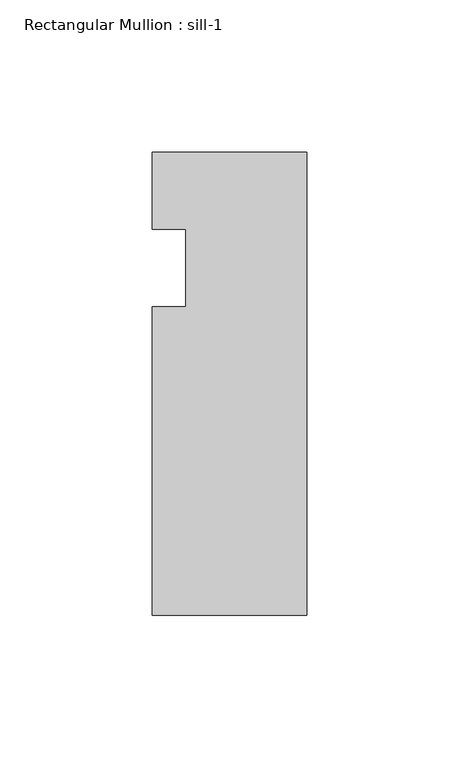
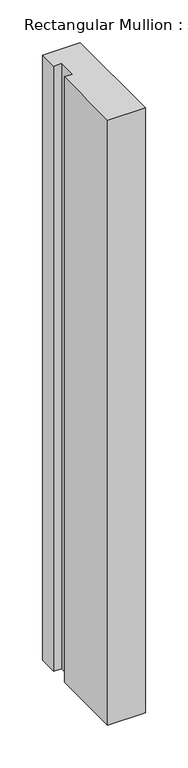
"""IFC4 building model written with IfcOpenShell, lengths in millimetres: member geometry, Rectangular Mullion : sill-1."""

from ifc_helpers import new_model, si_unit, frame, origin, place, context, project, spatial, polyline, outline, extrude, source, transform, mapped, element, save


def rectangular_mullion_sill_1_f7303055(model_context):
    return source(origin(), model_context, "Body", "SweptSolid", [
        extrude(outline(polyline([(0.0, 6.35), (0.0, -146.05), (-50.8, -146.05), (-50.8, -44.45), (-39.798625, -44.45), (-39.798625, -19.05), (-50.8, -19.05), (-50.8, 6.35), (0.0, 6.35)])), frame((0.0, 0.0, -863.5998097), z_axis=(0.0, 0.0, 1.0), x_axis=(1.0, 0.0, 0.0)), (0.0, 0.0, 1.0), 863.5998097),
    ])


if __name__ == "__main__":
    model = new_model("IFC4")
    model_context = context("Model", 3, world=origin())
    ifc_project = project(units=[si_unit("LENGTHUNIT", "METRE", prefix="MILLI")], contexts=[model_context])
    site = spatial("IfcSite", under=ifc_project)
    building = spatial("IfcBuilding", under=site)
    placement = place(None, origin())
    rectangular_mullion_sill_1_shape = rectangular_mullion_sill_1_f7303055(model_context)
    element("IfcMember", 1, ObjectType="Rectangular Mullion : sill-1", at=placement, inside=building, context=model_context, shape_type="MappedRepresentation", body=[
        mapped(rectangular_mullion_sill_1_shape, transform((0.0, 0.0, 0.0), x_axis=(1.0, 0.0, 0.0), y_axis=(0.0, 1.0, 0.0), z_axis=(0.0, 0.0, 1.0))),
    ])
    save(model, "model.ifc")
